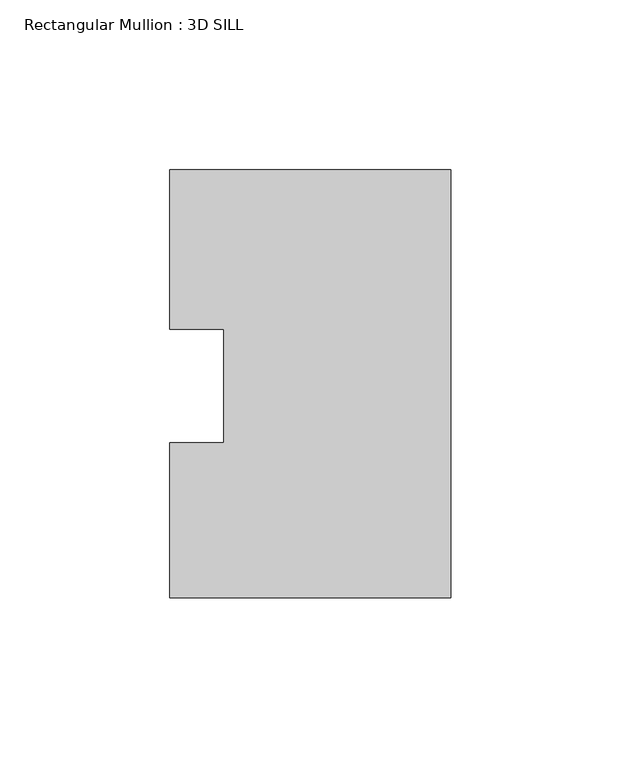
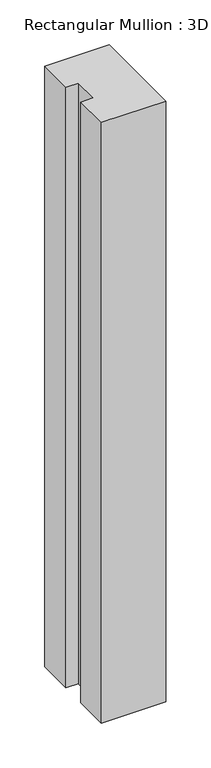
"""IFC4 building model written with IfcOpenShell, lengths in millimetres: member geometry, Rectangular Mullion : 3D SILL."""

from ifc_helpers import new_model, si_unit, frame, origin, place, context, project, spatial, polyline, outline, extrude, source, transform, mapped, element, save


def rectangular_mullion_3d_sill_ebd980c9(model_context):
    return source(origin(), model_context, "Body", "SweptSolid", [
        extrude(outline(polyline([(-82.5548917, 16.7234075), (-82.5548917, 63.5107262), (0.0, 63.5107262), (0.0, -62.2700738), (-82.5548917, -62.2700738), (-82.5548917, -16.7234075), (-66.6798917, -16.7234075), (-66.6798917, 16.7234075), (-82.5548917, 16.7234075)])), frame((0.0, 0.0, -815.8826836), z_axis=(0.0, 0.0, 1.0), x_axis=(1.0, 0.0, 0.0)), (0.0, 0.0, 1.0), 815.8826836),
    ])


if __name__ == "__main__":
    model = new_model("IFC4")
    model_context = context("Model", 3, world=origin())
    ifc_project = project(units=[si_unit("LENGTHUNIT", "METRE", prefix="MILLI")], contexts=[model_context])
    site = spatial("IfcSite", under=ifc_project)
    building = spatial("IfcBuilding", under=site)
    placement = place(None, origin())
    rectangular_mullion_3d_sill_shape = rectangular_mullion_3d_sill_ebd980c9(model_context)
    element("IfcMember", 1, ObjectType="Rectangular Mullion : 3D SILL", at=placement, inside=building, context=model_context, shape_type="MappedRepresentation", body=[
        mapped(rectangular_mullion_3d_sill_shape, transform((0.0, 0.0, 0.0), x_axis=(1.0, 0.0, 0.0), y_axis=(0.0, 1.0, 0.0), z_axis=(0.0, 0.0, 1.0))),
    ])
    save(model, "model.ifc")
